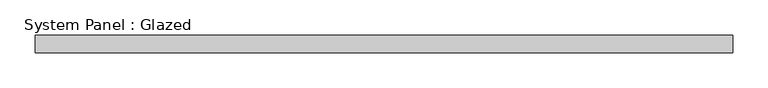
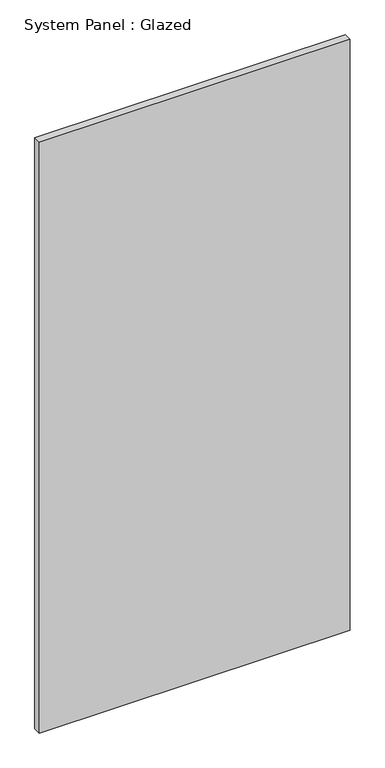
"""IFC4 building model written with IfcOpenShell, lengths in millimetres: plate geometry, System Panel : Glazed."""

from ifc_helpers import new_model, si_unit, origin, origin_with_axes, place, context, project, spatial, polyline, outline, extrude, source, transform, mapped, element, save


def system_panel_glazed_f65d5069(model_context):
    return source(origin(), model_context, "Body", "SweptSolid", [
        extrude(outline(polyline([(497.4185592, 24.5), (-497.4185592, 24.5), (-497.4185592, 49.5), (497.4185592, 49.5), (497.4185592, 24.5)])), origin_with_axes(), (0.0, 0.0, 1.0), 2000.0),
    ])


if __name__ == "__main__":
    model = new_model("IFC4")
    model_context = context("Model", 3, world=origin())
    ifc_project = project(units=[si_unit("LENGTHUNIT", "METRE", prefix="MILLI")], contexts=[model_context])
    site = spatial("IfcSite", under=ifc_project)
    building = spatial("IfcBuilding", under=site)
    placement = place(None, origin())
    system_panel_glazed_shape = system_panel_glazed_f65d5069(model_context)
    element("IfcPlate", 1, ObjectType="System Panel : Glazed", at=placement, inside=building, context=model_context, shape_type="MappedRepresentation", body=[
        mapped(system_panel_glazed_shape, transform((0.0, 0.0, 0.0), x_axis=(1.0, 0.0, 0.0), y_axis=(0.0, 1.0, 0.0), z_axis=(0.0, 0.0, 1.0))),
    ])
    save(model, "model.ifc")
